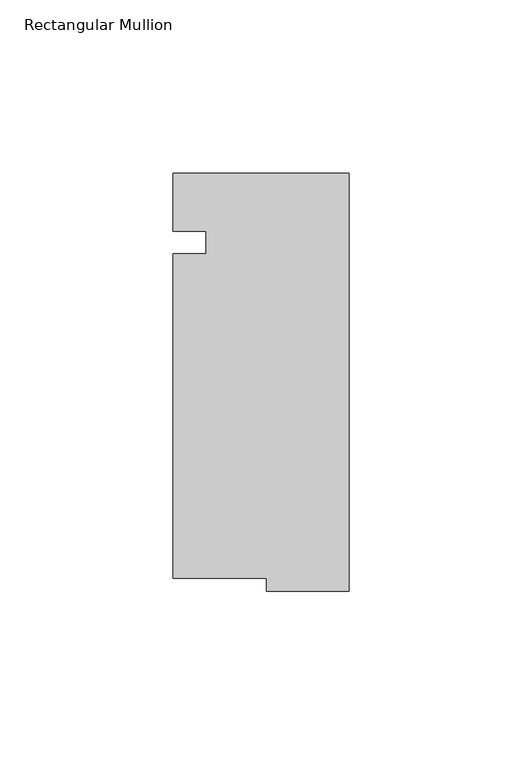
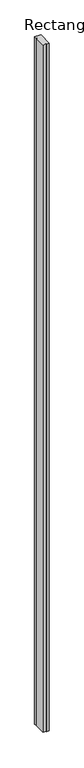
"""IFC4 building model written with IfcOpenShell, lengths in millimetres: member geometry, Rectangular Mullion."""

from ifc_helpers import new_model, si_unit, frame, origin, place, context, project, spatial, polyline, outline, extrude, source, transform, mapped, element, save


def rectangular_mullion_3ae80c0e(model_context):
    return source(origin(), model_context, "Body", "SweptSolid", [
        extrude(outline(polyline([(0.0, -50.0372522), (-23.7906574, -50.0392808), (-23.7909795, -46.2623937), (-50.7749219, -46.2646945), (-50.7829042, 47.3524443), (-41.2579043, 47.3532565), (-41.2584534, 53.7934948), (-50.7834534, 53.7926826), (-50.7848872, 70.608418), (-0.0102874, 70.6127473), (0.0, -50.0372522)])), frame((0.0, 0.0, -6019.801905), z_axis=(0.0, 0.0, 1.0), x_axis=(1.0, 0.0, 0.0)), (0.0, 0.0, 1.0), 6019.801905),
    ])


if __name__ == "__main__":
    model = new_model("IFC4")
    model_context = context("Model", 3, world=origin())
    ifc_project = project(units=[si_unit("LENGTHUNIT", "METRE", prefix="MILLI")], contexts=[model_context])
    site = spatial("IfcSite", under=ifc_project)
    building = spatial("IfcBuilding", under=site)
    placement = place(None, origin())
    rectangular_mullion_shape = rectangular_mullion_3ae80c0e(model_context)
    element("IfcMember", 1, ObjectType="Rectangular Mullion", at=placement, inside=building, context=model_context, shape_type="MappedRepresentation", body=[
        mapped(rectangular_mullion_shape, transform((0.0, 0.0, 0.0), x_axis=(1.0, 0.0, 0.0), y_axis=(0.0, 1.0, 0.0), z_axis=(0.0, 0.0, 1.0))),
    ])
    save(model, "model.ifc")
